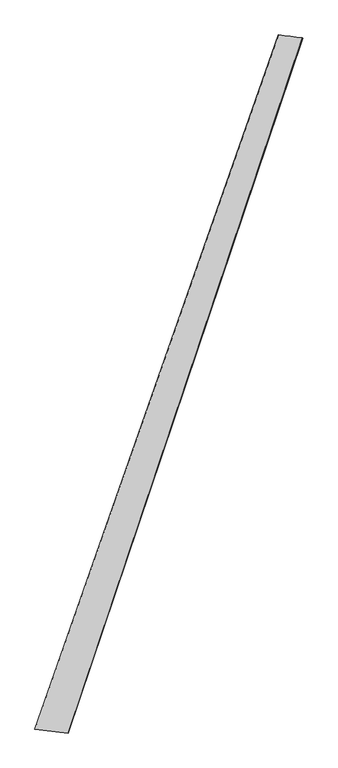
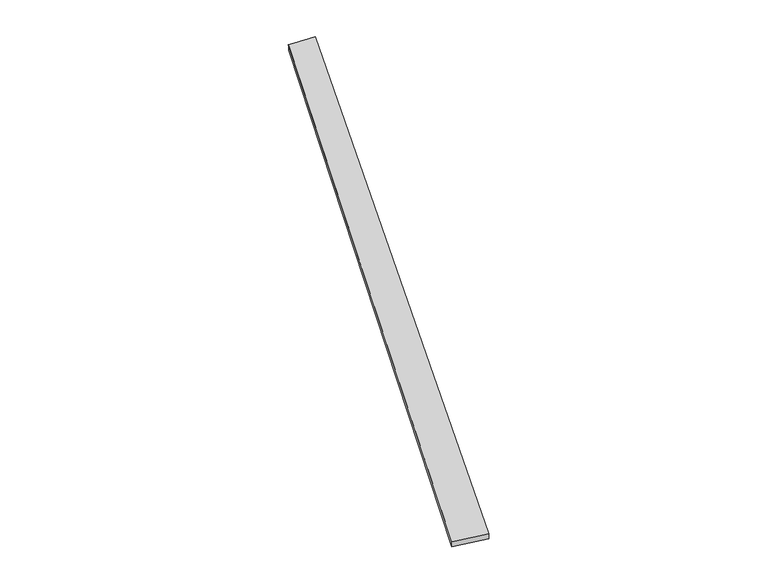
"""IFC4 building model written with IfcOpenShell, lengths in millimetres: proxy geometry."""

from ifc_helpers import new_model, si_unit, origin, place, context, project, spatial, source, transform, mapped, element, save
from ifc_brep_helpers import spline_surface, advanced_brep


def generic_models_c2fdb88b(model_context):
    return source(origin(), model_context, "Body", "AdvancedBrep", [
        advanced_brep(
        [(-691.9537851, -1752.9495888, 3.4326186), (-691.5600849, -1753.0255628, 33.4299389), (679.3541011, 2152.6281685, 25.2411679), (681.1274139, 2151.9422734, -4.69852), (-504.0521036, -1774.4263974, 26.5123015), (814.3787526, 2135.4781654, 34.6150719), (-505.7174505, -1773.8006848, -3.4349038), (816.5438216, 2134.8080003, 4.7008052)],
        [
            (0, 1),
            (1, 2),
            (2, 3),
            (3, 0),
            (1, 4),
            (4, 5),
            (5, 2),
            (4, 6),
            (6, 7),
            (7, 5),
            (6, 0),
            (3, 7),
        ],
        [
            spline_surface(1, 1, [[(-691.9537851, -1752.9495888, 3.4326186), (681.1274139, 2151.9422734, -4.69852)], [(-691.5600849, -1753.0255628, 33.4299389), (679.3541011, 2152.6281685, 25.2411679)]], [2, 2], [2, 2], [0.0, 1.0], [0.0, 1.0]),
            spline_surface(1, 1, [[(-691.5600849, -1753.0255628, 33.4299389), (679.3541011, 2152.6281685, 25.2411679)], [(-504.0521036, -1774.4263974, 26.5123015), (814.3787526, 2135.4781654, 34.6150719)]], [2, 2], [2, 2], [0.0, 1.0], [0.0, 1.0]),
            spline_surface(1, 1, [[(-504.0521036, -1774.4263974, 26.5123015), (814.3787526, 2135.4781654, 34.6150719)], [(-505.7174505, -1773.8006848, -3.4349038), (816.5438216, 2134.8080003, 4.7008052)]], [2, 2], [2, 2], [0.0, 1.0], [0.0, 1.0]),
            spline_surface(1, 1, [[(-505.7174505, -1773.8006848, -3.4349038), (816.5438216, 2134.8080003, 4.7008052)], [(-691.9537851, -1752.9495888, 3.4326186), (681.1274139, 2151.9422734, -4.69852)]], [2, 2], [2, 2], [0.0, 1.0], [0.0, 1.0]),
            spline_surface(1, 1, [[(679.3541011, 2152.6281685, 25.2411679), (681.1274139, 2151.9422734, -4.69852)], [(814.3787526, 2135.4781654, 34.6150719), (816.5438216, 2134.8080003, 4.7008052)]], [2, 2], [2, 2], [0.0, 1.0], [0.0, 1.0]),
            spline_surface(1, 1, [[(-505.7174505, -1773.8006848, -3.4349038), (-691.9537851, -1752.9495888, 3.4326186)], [(-504.0521036, -1774.4263974, 26.5123015), (-691.5600849, -1753.0255628, 33.4299389)]], [2, 2], [2, 2], [0.0, 1.0], [0.0, 1.0]),
        ],
        [
            (0, [[1, 2, 3, 4]]),
            (1, [[5, 6, 7, -2]]),
            (2, [[8, 9, 10, -6]]),
            (3, [[11, -4, 12, -9]]),
            (4, [[-3, -7, -10, -12]]),
            (5, [[-11, -8, -5, -1]]),
        ],
    ),
    ])


if __name__ == "__main__":
    model = new_model("IFC4")
    model_context = context("Model", 3, world=origin())
    ifc_project = project(units=[si_unit("LENGTHUNIT", "METRE", prefix="MILLI")], contexts=[model_context])
    site = spatial("IfcSite", under=ifc_project)
    building = spatial("IfcBuilding", under=site)
    placement = place(None, origin())
    generic_models_shape = generic_models_c2fdb88b(model_context)
    element("IfcBuildingElementProxy", 1, Name="Generic Models", at=placement, inside=building, context=model_context, shape_type="MappedRepresentation", body=[
        mapped(generic_models_shape, transform((0.0, 0.0, 0.0), x_axis=(1.0, 0.0, 0.0), y_axis=(0.0, 1.0, 0.0), z_axis=(0.0, 0.0, 1.0))),
    ])
    save(model, "model.ifc")
